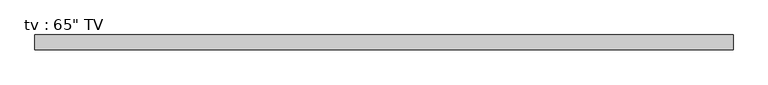
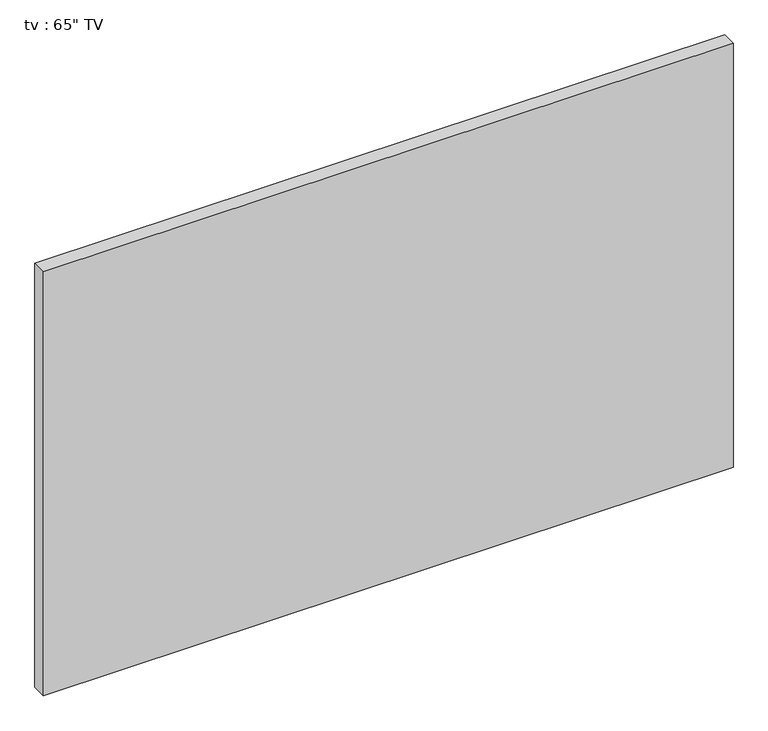
"""IFC4 building model written with IfcOpenShell, lengths in millimetres: proxy geometry."""

from ifc_helpers import new_model, si_unit, frame, origin, place, context, project, spatial, polyline, outline, extrude, faceted_brep, source, transform, mapped, element, save


def proxy_dcd74a89(model_context):
    return source(origin(), model_context, "Body", "SolidModel", [
        extrude(outline(polyline([(-698.5, 90.7851562), (698.5, 90.7851562), (698.5, 81.2601563), (-698.5, 81.2601563), (-698.5, 90.7851562)])), frame((0.0, 0.0, 38.1), z_axis=(0.0, 0.0, 1.0), x_axis=(1.0, 0.0, 0.0)), (0.0, 0.0, 1.0), 877.57),
        faceted_brep([(723.9, 93.9601563, 0.0), (-723.9, 93.9601563, 0.0), (-723.9, 93.9601563, 941.07), (723.9, 93.9601563, 941.07), (698.5, 93.9601563, 38.1), (698.5, 93.9601563, 915.67), (-698.5, 93.9601563, 915.67), (-698.5, 93.9601563, 38.1), (723.9, 63.5, 0.0), (723.9, 63.5, 941.07), (-723.9, 63.5, 941.07), (-723.9, 63.5, 0.0), (698.5, 81.2601563, 38.1), (-698.5, 81.2601563, 38.1), (-698.5, 81.2601563, 915.67), (698.5, 81.2601563, 915.67)], [[[0, 1, 2, 3], [4, 5, 6, 7]], [[8, 9, 10, 11]], [[1, 0, 8, 11]], [[2, 1, 11, 10]], [[3, 2, 10, 9]], [[0, 3, 9, 8]], [[12, 13, 14, 15]], [[12, 15, 5, 4]], [[15, 14, 6, 5]], [[14, 13, 7, 6]], [[13, 12, 4, 7]]]),
    ])


if __name__ == "__main__":
    model = new_model("IFC4")
    model_context = context("Model", 3, world=origin())
    ifc_project = project(units=[si_unit("LENGTHUNIT", "METRE", prefix="MILLI")], contexts=[model_context])
    site = spatial("IfcSite", under=ifc_project)
    building = spatial("IfcBuilding", under=site)
    placement = place(None, origin())
    proxy_shape = proxy_dcd74a89(model_context)
    element("IfcBuildingElementProxy", 1, Name="tv : 65\" TV", ObjectType="tv : 65\" TV", at=placement, inside=building, context=model_context, shape_type="MappedRepresentation", body=[
        mapped(proxy_shape, transform((0.0, 0.0, 0.0), x_axis=(1.0, 0.0, 0.0), y_axis=(0.0, 1.0, 0.0), z_axis=(0.0, 0.0, 1.0))),
    ])
    save(model, "model.ifc")
